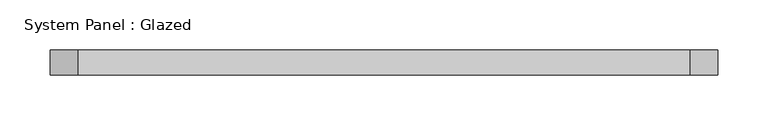
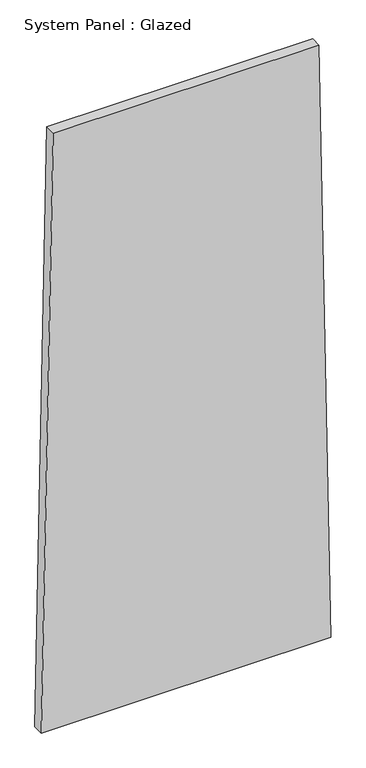
"""IFC4 building model written with IfcOpenShell, lengths in millimetres: plate geometry, System Panel : Glazed."""

from ifc_helpers import new_model, si_unit, frame, origin, place, context, project, spatial, polyline, outline, extrude, source, transform, mapped, element, save


def system_panel_glazed_ebb5dc0a(model_context):
    return source(origin(), model_context, "Body", "SweptSolid", [
        extrude(outline(polyline([(0.0, -333.2924285), (0.0, 333.2924285), (1449.7312374, 305.8516764), (1449.7313617, -305.8501995), (0.0, -333.2924285)])), frame((0.0, -49.5, 0.0), z_axis=(0.0, 1.0, 0.0), x_axis=(0.0, 0.0, 1.0)), (0.0, 0.0, 1.0), 25.0),
    ])


if __name__ == "__main__":
    model = new_model("IFC4")
    model_context = context("Model", 3, world=origin())
    ifc_project = project(units=[si_unit("LENGTHUNIT", "METRE", prefix="MILLI")], contexts=[model_context])
    site = spatial("IfcSite", under=ifc_project)
    building = spatial("IfcBuilding", under=site)
    placement = place(None, origin())
    system_panel_glazed_shape = system_panel_glazed_ebb5dc0a(model_context)
    element("IfcPlate", 1, ObjectType="System Panel : Glazed", at=placement, inside=building, context=model_context, shape_type="MappedRepresentation", body=[
        mapped(system_panel_glazed_shape, transform((0.0, 0.0, 0.0), x_axis=(1.0, 0.0, 0.0), y_axis=(0.0, 1.0, 0.0), z_axis=(0.0, 0.0, 1.0))),
    ])
    save(model, "model.ifc")
